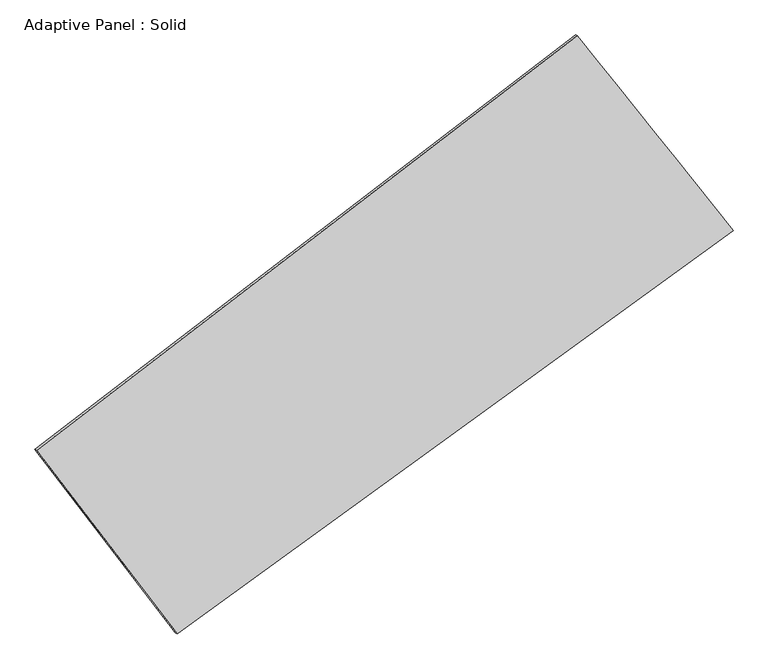
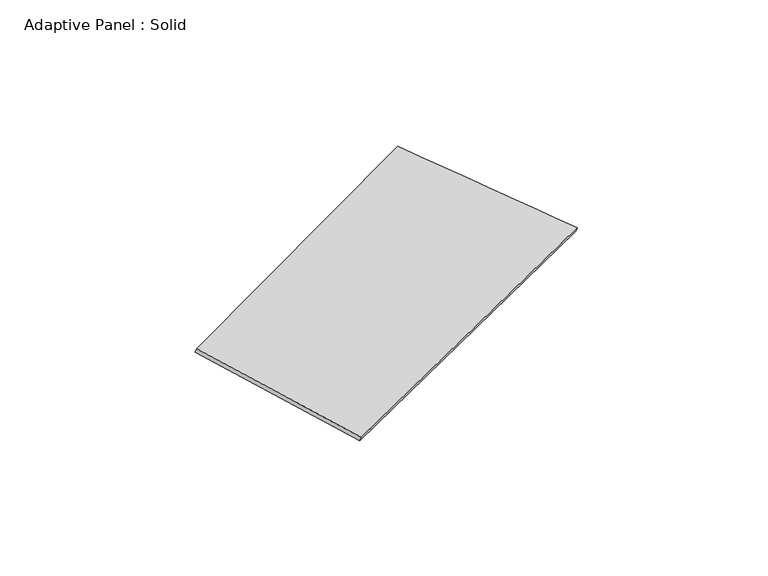
"""IFC4 building model written with IfcOpenShell, lengths in millimetres: plate geometry, Adaptive Panel : Solid."""

from ifc_helpers import new_model, si_unit, frame, origin, place, context, project, spatial, source, transform, mapped, element, save
from ifc_brep_helpers import plane_surface, spline_surface, advanced_brep


def adaptive_panel_solid_6aab01e2(model_context):
    return source(origin(), model_context, "Body", "AdvancedBrep", [
        advanced_brep(
        [(1028.8810138, 2485.2657368, 658.7217913), (-3598.3302698, -1066.3859327, 1696.6500879), (-3583.663914, -1072.7660262, 1744.0229959), (1043.5473696, 2478.8856434, 706.0946993), (-2395.5956684, -2637.063271, 1026.9244901), (-2380.9293126, -2643.4433645, 1074.2973981), (2361.7543463, 817.9348941, 102.8261509), (2376.4207021, 811.5548006, 150.199059)],
        [
            (0, 1),
            (1, 2),
            (2, 3),
            (3, 0),
            (1, 4),
            (4, 5),
            (5, 2),
            (4, 6),
            (6, 7),
            (7, 5),
            (6, 0),
            (3, 7),
        ],
        [
            plane_surface(frame((-1284.724628, 709.439902, 1177.6859396), z_axis=(-0.5456587802418369, 0.7914199338615742, 0.2755194799493003), x_axis=(-0.780997479094572, -0.5994606320255506, 0.17518529704130822))),
            plane_surface(frame((-2996.9629691, -1851.7246019, 1361.787289), z_axis=(-0.7540099063954939, -0.6401520607121127, 0.14722228168145624), x_axis=(0.575864747515748, -0.7520343289401834, -0.32066206614458137))),
            plane_surface(frame((-16.9206611, -909.5641885, 564.8753205), z_axis=(0.53023513436353, -0.8029358269941971, -0.2722953543776209), x_axis=(0.7993192915882689, 0.5805010514826104, -0.1552649326873647))),
            plane_surface(frame((1695.31768, 1651.6003155, 380.7739711), z_axis=(0.7487829437145506, 0.6468265022677303, -0.144705145610882), x_axis=(-0.604257862281282, 0.7558841085162123, 0.25201517883632807))),
            spline_surface(1, 1, [[(-3583.663914, -1072.7660262, 1744.0229959), (1043.5473696, 2478.8856434, 706.0946993)], [(-2380.9293126, -2643.4433645, 1074.2973981), (2376.4207021, 811.5548006, 150.199059)]], [2, 2], [2, 2], [0.0, 1.0], [0.0, 1.0]),
            spline_surface(1, 1, [[(2361.7543463, 817.9348941, 102.8261509), (1028.8810138, 2485.2657368, 658.7217913)], [(-2395.5956684, -2637.063271, 1026.9244901), (-3598.3302698, -1066.3859327, 1696.6500879)]], [2, 2], [2, 2], [0.0, 1.0], [0.0, 1.0]),
        ],
        [
            (0, [[1, 2, 3, 4]]),
            (1, [[5, 6, 7, -2]]),
            (2, [[8, 9, 10, -6]]),
            (3, [[11, -4, 12, -9]]),
            (4, [[-3, -7, -10, -12]]),
            (5, [[-11, -8, -5, -1]]),
        ],
    ),
    ])


if __name__ == "__main__":
    model = new_model("IFC4")
    model_context = context("Model", 3, world=origin())
    ifc_project = project(units=[si_unit("LENGTHUNIT", "METRE", prefix="MILLI")], contexts=[model_context])
    site = spatial("IfcSite", under=ifc_project)
    building = spatial("IfcBuilding", under=site)
    placement = place(None, origin())
    adaptive_panel_solid_shape = adaptive_panel_solid_6aab01e2(model_context)
    element("IfcPlate", 1, ObjectType="Adaptive Panel : Solid", at=placement, inside=building, context=model_context, shape_type="MappedRepresentation", body=[
        mapped(adaptive_panel_solid_shape, transform((0.0, 0.0, 0.0), x_axis=(1.0, 0.0, 0.0), y_axis=(0.0, 1.0, 0.0), z_axis=(0.0, 0.0, 1.0))),
    ])
    save(model, "model.ifc")
